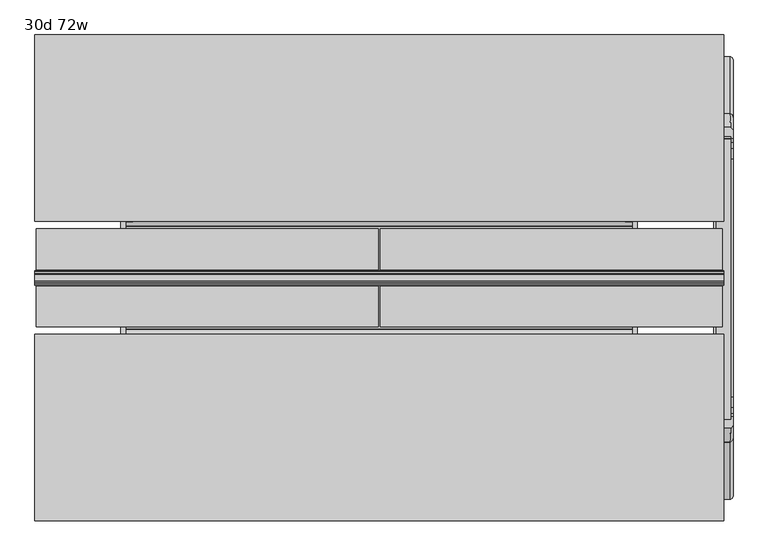
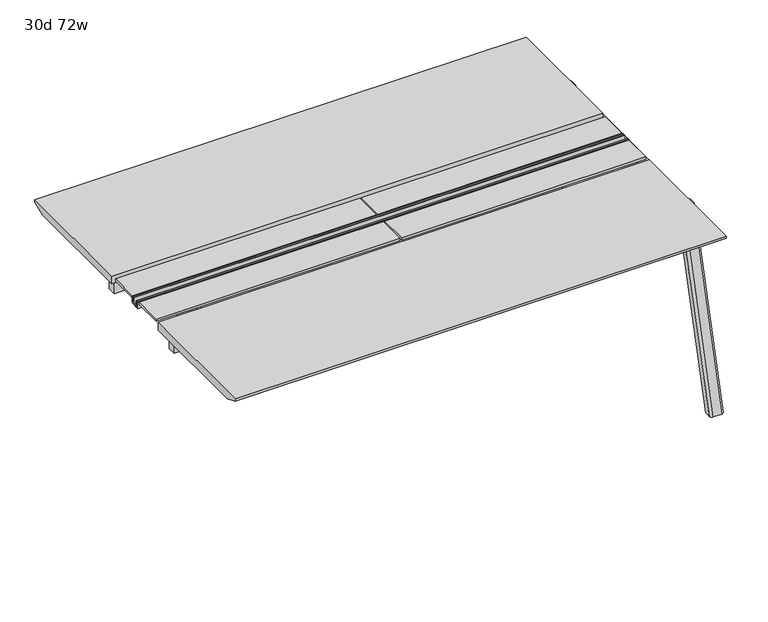
"""IFC4 building model written with IfcOpenShell, lengths in millimetres: furniture geometry, 30d 72w."""

from ifc_helpers import new_model, si_unit, point, frame, frame_2d, origin, place, context, project, spatial, polyline, circle_curve, ellipse_curve, trimmed, segment, composite_curve, outline, extrude, source, transform, mapped, element, save
from ifc_brep_helpers import plane_surface, cylinder_surface, revolved_surface, advanced_brep


def furniture_30d_72w_b4155e28(model_context):
    return source(origin(), model_context, "Body", "SolidModel", [
        extrude(outline(polyline([(348.9784469, 559.4636683), (352.756725, 557.2647146), (352.756725, 549.3667827), (336.8817293, 521.8704736), (62.6252238, 521.8704736), (46.7502281, 549.3667827), (46.7502281, 557.2647146), (50.5285062, 559.4636683), (35.4662901, 627.7843353), (364.040663, 627.7843353), (348.9784469, 559.4636683)])), frame((889.0, 0.0, 0.0), z_axis=(1.0, 0.0, 0.0), x_axis=(0.0, 1.0, 0.0)), (0.0, 0.0, 1.0), 12.7),
        extrude(outline(polyline([(348.9784469, 559.4636683), (352.756725, 557.2647146), (352.756725, 549.3667827), (336.8817293, 521.8704736), (62.6252238, 521.8704736), (46.7502281, 549.3667827), (46.7502281, 557.2647146), (50.5285062, 559.4636683), (35.4662901, 627.7843353), (364.040663, 627.7843353), (348.9784469, 559.4636683)])), frame((-469.9, 0.0, 0.0), z_axis=(1.0, 0.0, 0.0), x_axis=(0.0, 1.0, 0.0)), (0.0, 0.0, 1.0), 12.7),
        extrude(outline(polyline([(18.0090763, 698.5), (20.404074, 696.1050023), (50.5285062, 559.4636683), (49.1186716, 559.1528512), (19.0070753, 695.7359626), (17.4495292, 697.2935087), (-3.7767266, 697.2935087), (-3.7767266, 698.5), (18.0090763, 698.5)])), frame((-469.9, 0.0, 0.0), z_axis=(1.0, 0.0, 0.0), x_axis=(0.0, 1.0, 0.0)), (0.0, 0.0, 1.0), 31.8008024),
        extrude(outline(polyline([(381.4978768, 698.5), (403.2836797, 698.5), (403.2836797, 697.2935087), (382.0574239, 697.2935087), (380.4998778, 695.7359626), (350.3882815, 559.1528512), (348.9784469, 559.4636683), (379.1028791, 696.1050023), (381.4978768, 698.5)])), frame((-469.9, 0.0, 0.0), z_axis=(1.0, 0.0, 0.0), x_axis=(0.0, 1.0, 0.0)), (0.0, 0.0, 1.0), 31.8008024),
        extrude(outline(polyline([(18.0090763, 698.5), (20.404074, 696.1050023), (50.5285062, 559.4636683), (49.1186716, 559.1528512), (19.0070753, 695.7359626), (17.4495292, 697.2935087), (-3.7767266, 697.2935087), (-3.7767266, 698.5), (18.0090763, 698.5)])), frame((869.8991976, 0.0, 0.0), z_axis=(1.0, 0.0, 0.0), x_axis=(0.0, 1.0, 0.0)), (0.0, 0.0, 1.0), 31.8008024),
        extrude(outline(polyline([(381.4978768, 698.5), (403.2836797, 698.5), (403.2836797, 697.2935087), (382.0574239, 697.2935087), (380.4998778, 695.7359626), (350.3882815, 559.1528512), (348.9784469, 559.4636683), (379.1028791, 696.1050023), (381.4978768, 698.5)])), frame((869.8991976, 0.0, 0.0), z_axis=(1.0, 0.0, 0.0), x_axis=(0.0, 1.0, 0.0)), (0.0, 0.0, 1.0), 31.8008024),
        extrude(outline(polyline([(353.550475, 557.5934966), (353.550475, 549.2622828), (353.2714314, 548.2208856), (338.0201457, 521.8048744), (336.216395, 520.7634772), (63.2905581, 520.7634772), (61.4868074, 521.8048744), (46.2355217, 548.2208856), (45.9564781, 549.2622828), (45.9564781, 557.5934966), (47.9884761, 559.6254947), (48.5497421, 559.0642287), (46.7502281, 557.2647146), (46.7502281, 549.3667827), (46.9751786, 548.5272622), (62.0678729, 522.3859395), (63.503243, 521.5572272), (336.0037101, 521.5572272), (337.4390802, 522.3859395), (352.5317745, 548.5272622), (352.756725, 549.3667827), (352.756725, 557.2647146), (350.957211, 559.0642287), (351.518477, 559.6254947), (353.550475, 557.5934966)])), frame((-469.8492037, 0.0, 0.0), z_axis=(1.0, 0.0, 0.0), x_axis=(0.0, 1.0, 0.0)), (0.0, 0.0, 1.0), 1371.5492037),
        extrude(outline(polyline([(218.8034766, 715.9625), (180.7034766, 715.9625), (180.7034766, 741.3625), (182.2909766, 741.3625), (182.2909766, 720.725), (188.6409766, 720.725), (188.6409766, 741.3625), (190.2284766, 741.3625), (190.2284766, 717.55), (209.2784766, 717.55), (209.2784766, 741.3625), (210.8659766, 741.3625), (210.8659766, 720.725), (217.2159766, 720.725), (217.2159766, 741.3625), (218.8034766, 741.3625), (218.8034766, 715.9625)])), frame((-698.5, 0.0, 0.0), z_axis=(1.0, 0.0, 0.0), x_axis=(0.0, 1.0, 0.0)), (0.0, 0.0, 1.0), 1828.8),
        extrude(outline(composite_curve([segment(polyline([(-175.6902734, 711.2), (575.1972266, 711.2), (566.1391258, 677.3947076)]), True, "CONTINUOUS"), segment(trimmed(circle_curve(frame_2d((550.8050533, 681.5034599)), 15.875), [point((566.1391258, 677.3947076))], [point((550.8050533, 665.6284599))], False, "CARTESIAN"), True, "CONTINUOUS"), segment(polyline([(550.8050533, 665.6284599), (-151.2981001, 665.6284599)]), True, "CONTINUOUS"), segment(trimmed(circle_curve(frame_2d((-151.2981001, 681.5034599)), 15.875), [point((-151.2981001, 665.6284599))], [point((-166.6321726, 677.3947076))], False, "CARTESIAN"), True, "CONTINUOUS"), segment(polyline([(-166.6321726, 677.3947076), (-175.6902734, 711.2)]), True, "CONTINUOUS")], self_intersect=False)), frame((1111.25, 0.0, 0.0), z_axis=(1.0, 0.0, 0.0), x_axis=(0.0, 1.0, 0.0)), (0.0, 0.0, 1.0), 38.1),
        extrude(outline(polyline([(1155.7, -115.3652734), (1104.9, -115.3652734), (1104.9, 514.8722266), (1155.7, 514.8722266), (1155.7, -115.3652734)])), frame((0.0, 0.0, 635.6476591), z_axis=(0.0, 0.0, 1.0), x_axis=(1.0, 0.0, 0.0)), (0.0, 0.0, 1.0), 29.9808008),
        advanced_brep(
        [(1104.9, 568.8935553, 711.2), (1104.9, 590.3601017, 711.2), (1104.9, 625.8087453, 576.6820411), (1104.9, 604.7047754, 576.6820411), (1104.9, 602.1465633, 586.2294189), (1104.9, 537.7434588, 635.6476591), (1104.9, 514.8722266, 635.6476591), (1104.9, 514.8722266, 665.6284599), (1104.9, 544.501382, 665.6284599), (1104.9, 559.8354545, 677.3947076), (1155.7, 604.7047754, 576.6820411), (1155.7, 625.8087453, 576.6820411), (1155.7, 590.3601017, 711.2), (1155.7, 568.8935553, 711.2), (1155.7, 559.8354545, 677.3947076), (1155.7, 544.501382, 665.6284599), (1155.7, 514.8722266, 665.6284599), (1155.7, 514.8722266, 635.6476591), (1155.7, 537.7434588, 635.6476591), (1155.7, 602.1465633, 586.2294189), (1149.4361838, 599.6149462, 711.2), (1111.1638162, 599.6149462, 711.2), (1114.425, 635.6589247, 576.6820411), (1146.175, 635.6589247, 576.6820411)],
        [
            (0, 1),
            (1, 2),
            (2, 3),
            (3, 4),
            (4, 5, circle_curve(frame((1104.9, 537.7434588, 568.9726591), z_axis=(1.0, 0.0, 0.0), x_axis=(0.0, 1.0, 0.0)), 66.675)),
            (5, 6),
            (6, 7),
            (7, 8),
            (8, 9, circle_curve(frame((1104.9, 544.501382, 681.5034599), z_axis=(1.0, 0.0, 0.0), x_axis=(0.0, 1.0, 0.0)), 15.875)),
            (9, 0),
            (10, 11),
            (11, 12),
            (12, 13),
            (13, 14),
            (14, 15, circle_curve(frame((1155.7, 544.501382, 681.5034599), z_axis=(-1.0, 0.0, 0.0), x_axis=(0.0, 1.0, 0.0)), 15.875)),
            (15, 16),
            (16, 17),
            (17, 18),
            (18, 19, circle_curve(frame((1155.7, 537.7434588, 568.9726591), z_axis=(-1.0, 0.0, 0.0), x_axis=(0.0, 1.0, 0.0)), 66.675)),
            (19, 10),
            (12, 20, ellipse_curve(frame((1146.175, 590.3601017, 711.2), z_axis=(0.0, 0.0, 1.0), x_axis=(0.0, 1.0, 0.0)), 9.8501793, 9.525)),
            (20, 21),
            (21, 1, ellipse_curve(frame((1114.425, 590.3601017, 711.2), z_axis=(0.0, 0.0, 1.0), x_axis=(0.0, 1.0, 0.0)), 9.8501793, 9.525)),
            (0, 13),
            (9, 14),
            (8, 15),
            (7, 16),
            (6, 17),
            (5, 18),
            (4, 19),
            (3, 10),
            (2, 22, ellipse_curve(frame((1114.425, 625.8087453, 576.6820411), z_axis=(0.0, 0.0, -1.0), x_axis=(0.0, 1.0, 0.0)), 9.8501793, 9.525)),
            (22, 23),
            (23, 11, ellipse_curve(frame((1146.175, 625.8087453, 576.6820411), z_axis=(0.0, 0.0, -1.0), x_axis=(0.0, 1.0, 0.0)), 9.8501793, 9.525)),
            (20, 23, ellipse_curve(frame((1146.175, 39.2892106, 2802.3641142), z_axis=(0.0, 0.9659258262890684, 0.2588190451025206), x_axis=(0.0, 0.2588190451025206, -0.9659258262890684)), 2304.1956354, 9.525)),
            (22, 21, ellipse_curve(frame((1114.425, 39.2892106, 2802.3641142), z_axis=(0.0, 0.9659258262890684, 0.2588190451025206), x_axis=(0.0, 0.2588190451025206, -0.9659258262890684)), 2304.1956354, 9.525)),
        ],
        [
            plane_surface(frame((1104.9, 599.6149462, 711.2), z_axis=(-1.0, 0.0, 0.0), x_axis=(0.0, -1.0, 0.0))),
            plane_surface(frame((1155.7, 599.6149462, 711.2), z_axis=(1.0, 0.0, 0.0), x_axis=(0.0, 1.0, 0.0))),
            plane_surface(frame((1104.9, 599.6149462, 711.2), z_axis=(0.0, 0.0, 1.0), x_axis=(1.0, 0.0, 0.0))),
            plane_surface(frame((1104.9, 568.8935553, 711.2), z_axis=(0.0, -0.9659258262890683, 0.2588190451025207), x_axis=(1.0, 0.0, 0.0))),
            revolved_surface(polyline([(1155.7, 560.376382, 681.5034599), (1104.9, 560.376382, 681.5034599)]), (1155.7, 544.501382, 681.5034599), (1.0, 0.0, 0.0)),
            plane_surface(frame((1104.9, 544.501382, 665.6284599), z_axis=(0.0, 0.0, 1.0), x_axis=(1.0, 0.0, 0.0))),
            plane_surface(frame((1104.9, 514.8722266, 665.6284599), z_axis=(0.0, -1.0, 0.0), x_axis=(1.0, 0.0, 0.0))),
            plane_surface(frame((1104.9, 514.8722266, 635.6476591), z_axis=(0.0, 0.0, -1.0), x_axis=(1.0, 0.0, 0.0))),
            revolved_surface(polyline([(1155.7, 604.4184587999999, 568.9726591), (1104.9, 604.4184587999999, 568.9726591)]), (1155.7, 537.7434588, 568.9726591), (1.0, 0.0, 0.0)),
            plane_surface(frame((1104.9, 602.1465633, 586.2294189), z_axis=(0.0, -0.9659258262890693, -0.25881904510251696), x_axis=(1.0, 0.0, 0.0))),
            plane_surface(frame((1104.9, 604.7047754, 576.6820411), z_axis=(0.0, 0.0, -1.0), x_axis=(1.0, 0.0, 0.0))),
            plane_surface(frame((1104.9, 635.6589247, 576.6820411), z_axis=(0.0, 0.9659258262890684, 0.2588190451025206), x_axis=(1.0, 0.0, 0.0))),
            cylinder_surface(frame((1114.425, 778.4176402, -2.4271979), z_axis=(0.0, 0.25482392474081483, -0.966987470125486), x_axis=(1.0, 0.0, 0.0)), 9.525),
            cylinder_surface(frame((1146.175, 778.4176402, -2.4271979), z_axis=(0.0, 0.25482392474081483, -0.966987470125486), x_axis=(1.0, 0.0, 0.0)), 9.525),
        ],
        [
            (0, [[1, 2, 3, 4, 5, 6, 7, 8, 9, 10]]),
            (1, [[11, 12, 13, 14, 15, 16, 17, 18, 19, 20]]),
            (2, [[-13, 21, 22, 23, -1, 24]]),
            (3, [[25, -14, -24, -10]]),
            (4, [[26, -15, -25, -9]]),
            (5, [[27, -16, -26, -8]]),
            (6, [[28, -17, -27, -7]]),
            (7, [[29, -18, -28, -6]]),
            (8, [[30, -19, -29, -5]]),
            (9, [[31, -20, -30, -4]]),
            (10, [[-3, 32, 33, 34, -11, -31]]),
            (11, [[35, -33, 36, -22]]),
            (12, [[-23, -36, -32, -2]]),
            (13, [[-34, -35, -21, -12]]),
        ],
    ),
        advanced_brep(
        [(1104.9, 604.7047754, 576.6820411), (1104.9, 625.8087453, 576.6820411), (1104.9, 777.7780165, 0.0), (1104.9, 756.6740466, 0.0), (1155.7, 756.6740466, 0.0), (1155.7, 777.7780165, 0.0), (1155.7, 625.8087453, 576.6820411), (1155.7, 604.7047754, 576.6820411), (1146.175, 635.6589247, 576.6820411), (1114.425, 635.6589247, 576.6820411), (1114.425, 787.6281958, 0.0), (1146.175, 787.6281958, 0.0)],
        [
            (0, 1),
            (1, 2),
            (2, 3),
            (3, 0),
            (4, 5),
            (5, 6),
            (6, 7),
            (7, 4),
            (6, 8, ellipse_curve(frame((1146.175, 625.8087453, 576.6820411), z_axis=(0.0, 0.0, 1.0), x_axis=(0.0, 1.0, 0.0)), 9.8501793, 9.525)),
            (8, 9),
            (9, 1, ellipse_curve(frame((1114.425, 625.8087453, 576.6820411), z_axis=(0.0, 0.0, 1.0), x_axis=(0.0, 1.0, 0.0)), 9.8501793, 9.525)),
            (0, 7),
            (3, 4),
            (2, 10, ellipse_curve(frame((1114.425, 777.7780165, 0.0), z_axis=(0.0, 0.0, -1.0), x_axis=(0.0, 1.0, 0.0)), 9.8501793, 9.525)),
            (10, 11),
            (11, 5, ellipse_curve(frame((1146.175, 777.7780165, 0.0), z_axis=(0.0, 0.0, -1.0), x_axis=(0.0, 1.0, 0.0)), 9.8501793, 9.525)),
            (8, 11),
            (10, 9),
        ],
        [
            plane_surface(frame((1104.9, 635.6589247, 576.6820411), z_axis=(-1.0, 0.0, 0.0), x_axis=(0.0, -1.0, 0.0))),
            plane_surface(frame((1155.7, 635.6589247, 576.6820411), z_axis=(1.0, 0.0, 0.0), x_axis=(0.0, 1.0, 0.0))),
            plane_surface(frame((1104.9, 635.6589247, 576.6820411), z_axis=(0.0, 0.0, 1.0), x_axis=(1.0, 0.0, 0.0))),
            plane_surface(frame((1104.9, 604.7047754, 576.6820411), z_axis=(0.0, -0.9669874701254844, -0.2548239247408208), x_axis=(1.0, 0.0, 0.0))),
            plane_surface(frame((1104.9, 756.6740466, 0.0), z_axis=(0.0, 0.0, -1.0), x_axis=(1.0, 0.0, 0.0))),
            plane_surface(frame((1104.9, 787.6281958, 0.0), z_axis=(0.0, 0.9669874701254855, 0.2548239247408166), x_axis=(1.0, 0.0, 0.0))),
            cylinder_surface(frame((1114.425, 778.4176402, -2.4271979), z_axis=(0.0, 0.25482392474081483, -0.966987470125486), x_axis=(1.0, 0.0, 0.0)), 9.525),
            cylinder_surface(frame((1146.175, 778.4176402, -2.4271979), z_axis=(0.0, 0.25482392474081483, -0.966987470125486), x_axis=(1.0, 0.0, 0.0)), 9.525),
        ],
        [
            (0, [[1, 2, 3, 4]]),
            (1, [[5, 6, 7, 8]]),
            (2, [[-7, 9, 10, 11, -1, 12]]),
            (3, [[13, -8, -12, -4]]),
            (4, [[-3, 14, 15, 16, -5, -13]]),
            (5, [[17, -15, 18, -10]]),
            (6, [[-11, -18, -14, -2]]),
            (7, [[-16, -17, -9, -6]]),
        ],
    ),
        advanced_brep(
        [(1155.7, -169.3866022, 711.2), (1155.7, -190.8531486, 711.2), (1155.7, -226.3017922, 576.6820411), (1155.7, -205.1978223, 576.6820411), (1155.7, -202.6396101, 586.2294189), (1155.7, -138.2365057, 635.6476591), (1155.7, -115.3652734, 635.6476591), (1155.7, -115.3652734, 665.6284599), (1155.7, -144.9944289, 665.6284599), (1155.7, -160.3285014, 677.3947076), (1104.9, -205.1978223, 576.6820411), (1104.9, -226.3017922, 576.6820411), (1104.9, -190.8531486, 711.2), (1104.9, -169.3866022, 711.2), (1104.9, -160.3285014, 677.3947076), (1104.9, -144.9944289, 665.6284599), (1104.9, -115.3652734, 665.6284599), (1104.9, -115.3652734, 635.6476591), (1104.9, -138.2365057, 635.6476591), (1104.9, -202.6396101, 586.2294189), (1111.1638162, -200.1079931, 711.2), (1149.4361838, -200.1079931, 711.2), (1146.175, -236.1519716, 576.6820411), (1114.425, -236.1519716, 576.6820411)],
        [
            (0, 1),
            (1, 2),
            (2, 3),
            (3, 4),
            (4, 5, circle_curve(frame((1155.7, -138.2365057, 568.9726591), z_axis=(-1.0, 0.0, 0.0), x_axis=(0.0, -1.0, 0.0)), 66.675)),
            (5, 6),
            (6, 7),
            (7, 8),
            (8, 9, circle_curve(frame((1155.7, -144.9944289, 681.5034599), z_axis=(-1.0, 0.0, 0.0), x_axis=(0.0, -1.0, 0.0)), 15.875)),
            (9, 0),
            (10, 11),
            (11, 12),
            (12, 13),
            (13, 14),
            (14, 15, circle_curve(frame((1104.9, -144.9944289, 681.5034599), z_axis=(1.0, 0.0, 0.0), x_axis=(0.0, -1.0, 0.0)), 15.875)),
            (15, 16),
            (16, 17),
            (17, 18),
            (18, 19, circle_curve(frame((1104.9, -138.2365057, 568.9726591), z_axis=(1.0, 0.0, 0.0), x_axis=(0.0, -1.0, 0.0)), 66.675)),
            (19, 10),
            (12, 20, ellipse_curve(frame((1114.425, -190.8531486, 711.2), z_axis=(0.0, 0.0, 1.0), x_axis=(0.0, -1.0, 0.0)), 9.8501793, 9.525)),
            (20, 21),
            (21, 1, ellipse_curve(frame((1146.175, -190.8531486, 711.2), z_axis=(0.0, 0.0, 1.0), x_axis=(0.0, -1.0, 0.0)), 9.8501793, 9.525)),
            (0, 13),
            (9, 14),
            (8, 15),
            (7, 16),
            (6, 17),
            (5, 18),
            (4, 19),
            (3, 10),
            (2, 22, ellipse_curve(frame((1146.175, -226.3017922, 576.6820411), z_axis=(0.0, 0.0, -1.0), x_axis=(0.0, -1.0, 0.0)), 9.8501793, 9.525)),
            (22, 23),
            (23, 11, ellipse_curve(frame((1114.425, -226.3017922, 576.6820411), z_axis=(0.0, 0.0, -1.0), x_axis=(0.0, -1.0, 0.0)), 9.8501793, 9.525)),
            (20, 23, ellipse_curve(frame((1114.425, 360.2177425, 2802.3641142), z_axis=(0.0, -0.9659258262890684, 0.2588190451025206), x_axis=(0.0, -0.2588190451025206, -0.9659258262890684)), 2304.1956354, 9.525)),
            (22, 21, ellipse_curve(frame((1146.175, 360.2177425, 2802.3641142), z_axis=(0.0, -0.9659258262890684, 0.2588190451025206), x_axis=(0.0, -0.2588190451025206, -0.9659258262890684)), 2304.1956354, 9.525)),
        ],
        [
            plane_surface(frame((1155.7, -200.1079931, 711.2), z_axis=(1.0, 0.0, 0.0), x_axis=(0.0, 1.0, 0.0))),
            plane_surface(frame((1104.9, -200.1079931, 711.2), z_axis=(-1.0, 0.0, 0.0), x_axis=(0.0, -1.0, 0.0))),
            plane_surface(frame((1155.7, -200.1079931, 711.2), z_axis=(0.0, 0.0, 1.0), x_axis=(-1.0, 0.0, 0.0))),
            plane_surface(frame((1155.7, -169.3866022, 711.2), z_axis=(0.0, 0.9659258262890683, 0.2588190451025207), x_axis=(-1.0, 0.0, 0.0))),
            revolved_surface(polyline([(1104.9, -160.8694289, 681.5034599), (1155.7, -160.8694289, 681.5034599)]), (1104.9, -144.9944289, 681.5034599), (-1.0, 0.0, 0.0)),
            plane_surface(frame((1155.7, -144.9944289, 665.6284599), z_axis=(0.0, 0.0, 1.0), x_axis=(-1.0, 0.0, 0.0))),
            plane_surface(frame((1155.7, -115.3652734, 665.6284599), z_axis=(0.0, 1.0, 0.0), x_axis=(-1.0, 0.0, 0.0))),
            plane_surface(frame((1155.7, -115.3652734, 635.6476591), z_axis=(0.0, 0.0, -1.0), x_axis=(-1.0, 0.0, 0.0))),
            revolved_surface(polyline([(1104.9, -204.91150570000002, 568.9726591), (1155.7, -204.91150570000002, 568.9726591)]), (1104.9, -138.2365057, 568.9726591), (-1.0, 0.0, 0.0)),
            plane_surface(frame((1155.7, -202.6396101, 586.2294189), z_axis=(0.0, 0.9659258262890693, -0.25881904510251696), x_axis=(-1.0, 0.0, 0.0))),
            plane_surface(frame((1155.7, -205.1978223, 576.6820411), z_axis=(0.0, 0.0, -1.0), x_axis=(-1.0, 0.0, 0.0))),
            plane_surface(frame((1155.7, -236.1519716, 576.6820411), z_axis=(0.0, -0.9659258262890684, 0.2588190451025206), x_axis=(-1.0, 0.0, 0.0))),
            cylinder_surface(frame((1146.175, -378.9106871, -2.4271979), z_axis=(0.0, -0.25482392474081483, -0.966987470125486), x_axis=(-1.0, 0.0, 0.0)), 9.525),
            cylinder_surface(frame((1114.425, -378.9106871, -2.4271979), z_axis=(0.0, -0.25482392474081483, -0.966987470125486), x_axis=(-1.0, 0.0, 0.0)), 9.525),
        ],
        [
            (0, [[1, 2, 3, 4, 5, 6, 7, 8, 9, 10]]),
            (1, [[11, 12, 13, 14, 15, 16, 17, 18, 19, 20]]),
            (2, [[-13, 21, 22, 23, -1, 24]]),
            (3, [[25, -14, -24, -10]]),
            (4, [[26, -15, -25, -9]]),
            (5, [[27, -16, -26, -8]]),
            (6, [[28, -17, -27, -7]]),
            (7, [[29, -18, -28, -6]]),
            (8, [[30, -19, -29, -5]]),
            (9, [[31, -20, -30, -4]]),
            (10, [[-3, 32, 33, 34, -11, -31]]),
            (11, [[35, -33, 36, -22]]),
            (12, [[-23, -36, -32, -2]]),
            (13, [[-34, -35, -21, -12]]),
        ],
    ),
        advanced_brep(
        [(1155.7, -205.1978223, 576.6820411), (1155.7, -226.3017922, 576.6820411), (1155.7, -378.2710634, 0.0), (1155.7, -357.1670935, 0.0), (1104.9, -357.1670935, 0.0), (1104.9, -378.2710634, 0.0), (1104.9, -226.3017922, 576.6820411), (1104.9, -205.1978223, 576.6820411), (1114.425, -236.1519716, 576.6820411), (1146.175, -236.1519716, 576.6820411), (1146.175, -388.1212427, 0.0), (1114.425, -388.1212427, 0.0)],
        [
            (0, 1),
            (1, 2),
            (2, 3),
            (3, 0),
            (4, 5),
            (5, 6),
            (6, 7),
            (7, 4),
            (6, 8, ellipse_curve(frame((1114.425, -226.3017922, 576.6820411), z_axis=(0.0, 0.0, 1.0), x_axis=(0.0, -1.0, 0.0)), 9.8501793, 9.525)),
            (8, 9),
            (9, 1, ellipse_curve(frame((1146.175, -226.3017922, 576.6820411), z_axis=(0.0, 0.0, 1.0), x_axis=(0.0, -1.0, 0.0)), 9.8501793, 9.525)),
            (0, 7),
            (3, 4),
            (2, 10, ellipse_curve(frame((1146.175, -378.2710634, 0.0), z_axis=(0.0, 0.0, -1.0), x_axis=(0.0, -1.0, 0.0)), 9.8501793, 9.525)),
            (10, 11),
            (11, 5, ellipse_curve(frame((1114.425, -378.2710634, 0.0), z_axis=(0.0, 0.0, -1.0), x_axis=(0.0, -1.0, 0.0)), 9.8501793, 9.525)),
            (8, 11),
            (10, 9),
        ],
        [
            plane_surface(frame((1155.7, -236.1519716, 576.6820411), z_axis=(1.0, 0.0, 0.0), x_axis=(0.0, 1.0, 0.0))),
            plane_surface(frame((1104.9, -236.1519716, 576.6820411), z_axis=(-1.0, 0.0, 0.0), x_axis=(0.0, -1.0, 0.0))),
            plane_surface(frame((1155.7, -236.1519716, 576.6820411), z_axis=(0.0, 0.0, 1.0), x_axis=(-1.0, 0.0, 0.0))),
            plane_surface(frame((1155.7, -205.1978223, 576.6820411), z_axis=(0.0, 0.9669874701254844, -0.2548239247408208), x_axis=(-1.0, 0.0, 0.0))),
            plane_surface(frame((1155.7, -357.1670935, 0.0), z_axis=(0.0, 0.0, -1.0), x_axis=(-1.0, 0.0, 0.0))),
            plane_surface(frame((1155.7, -388.1212427, 0.0), z_axis=(0.0, -0.9669874701254855, 0.2548239247408166), x_axis=(-1.0, 0.0, 0.0))),
            cylinder_surface(frame((1146.175, -378.9106871, -2.4271979), z_axis=(0.0, -0.25482392474081483, -0.966987470125486), x_axis=(-1.0, 0.0, 0.0)), 9.525),
            cylinder_surface(frame((1114.425, -378.9106871, -2.4271979), z_axis=(0.0, -0.25482392474081483, -0.966987470125486), x_axis=(-1.0, 0.0, 0.0)), 9.525),
        ],
        [
            (0, [[1, 2, 3, 4]]),
            (1, [[5, 6, 7, 8]]),
            (2, [[-7, 9, 10, 11, -1, 12]]),
            (3, [[13, -8, -12, -4]]),
            (4, [[-3, 14, 15, 16, -5, -13]]),
            (5, [[17, -15, 18, -10]]),
            (6, [[-11, -18, -14, -2]]),
            (7, [[-16, -17, -9, -6]]),
        ],
    ),
        extrude(outline(polyline([(49.7347266, 741.3625), (49.7347266, 711.2), (-394.7652734, 711.2), (-445.5652734, 731.8375), (-445.5652734, 741.3625), (49.7347266, 741.3625)])), frame((-698.5, 0.0, 0.0), z_axis=(1.0, 0.0, 0.0), x_axis=(0.0, 1.0, 0.0)), (0.0, 0.0, 1.0), 1828.8),
        extrude(outline(polyline([(845.0722266, 741.3625), (845.0722266, 731.8375), (794.2722266, 711.2), (349.7722266, 711.2), (349.7722266, 741.3625), (845.0722266, 741.3625)])), frame((-698.5, 0.0, 0.0), z_axis=(1.0, 0.0, 0.0), x_axis=(0.0, 1.0, 0.0)), (0.0, 0.0, 1.0), 1828.8),
        extrude(outline(polyline([(212.725, 69.5784766), (-695.325, 69.5784766), (-695.325, 177.5284766), (212.725, 177.5284766), (212.725, 69.5784766)])), frame((0.0, 0.0, 731.8375), z_axis=(0.0, 0.0, 1.0), x_axis=(1.0, 0.0, 0.0)), (0.0, 0.0, 1.0), 9.525),
        extrude(outline(polyline([(212.725, 221.9784766), (-695.325, 221.9784766), (-695.325, 329.9284766), (212.725, 329.9284766), (212.725, 221.9784766)])), frame((0.0, 0.0, 731.8375), z_axis=(0.0, 0.0, 1.0), x_axis=(1.0, 0.0, 0.0)), (0.0, 0.0, 1.0), 9.525),
        extrude(outline(polyline([(1127.125, 69.5784766), (219.075, 69.5784766), (219.075, 177.5284766), (1127.125, 177.5284766), (1127.125, 69.5784766)])), frame((0.0, 0.0, 731.8375), z_axis=(0.0, 0.0, 1.0), x_axis=(1.0, 0.0, 0.0)), (0.0, 0.0, 1.0), 9.525),
        extrude(outline(polyline([(1127.125, 221.9784766), (219.075, 221.9784766), (219.075, 329.9284766), (1127.125, 329.9284766), (1127.125, 221.9784766)])), frame((0.0, 0.0, 731.8375), z_axis=(0.0, 0.0, 1.0), x_axis=(1.0, 0.0, 0.0)), (0.0, 0.0, 1.0), 9.525),
        extrude(outline(polyline([(1104.9, -9.7965234), (-673.1, -9.7965234), (-673.1, 21.9534766), (1104.9, 21.9534766), (1104.9, -9.7965234)])), frame((0.0, 0.0, 646.1125), z_axis=(0.0, 0.0, 1.0), x_axis=(1.0, 0.0, 0.0)), (0.0, 0.0, 1.0), 50.8),
        extrude(outline(polyline([(1104.9, 377.5534766), (-673.1, 377.5534766), (-673.1, 409.3034766), (1104.9, 409.3034766), (1104.9, 377.5534766)])), frame((0.0, 0.0, 646.1125), z_axis=(0.0, 0.0, 1.0), x_axis=(1.0, 0.0, 0.0)), (0.0, 0.0, 1.0), 50.8),
    ])


if __name__ == "__main__":
    model = new_model("IFC4")
    model_context = context("Model", 3, world=origin())
    ifc_project = project(units=[si_unit("LENGTHUNIT", "METRE", prefix="MILLI")], contexts=[model_context])
    site = spatial("IfcSite", under=ifc_project)
    building = spatial("IfcBuilding", under=site)
    placement = place(None, origin())
    furniture_30d_72w_shape = furniture_30d_72w_b4155e28(model_context)
    element("IfcFurniture", 1, ObjectType="30d 72w", at=placement, inside=building, context=model_context, shape_type="MappedRepresentation", body=[
        mapped(furniture_30d_72w_shape, transform((0.0, 0.0, 0.0), x_axis=(1.0, 0.0, 0.0), y_axis=(0.0, 1.0, 0.0), z_axis=(0.0, 0.0, 1.0))),
    ])
    save(model, "model.ifc")
